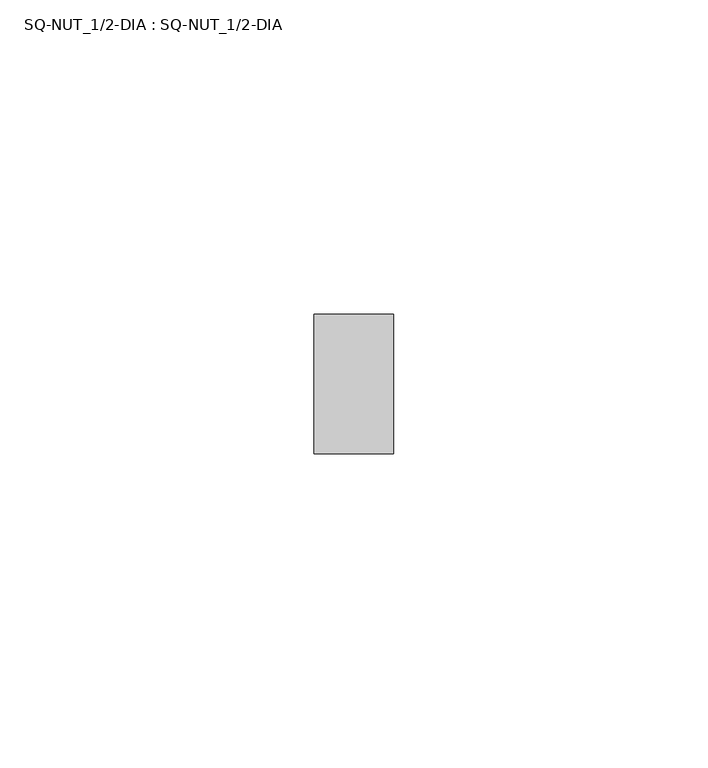
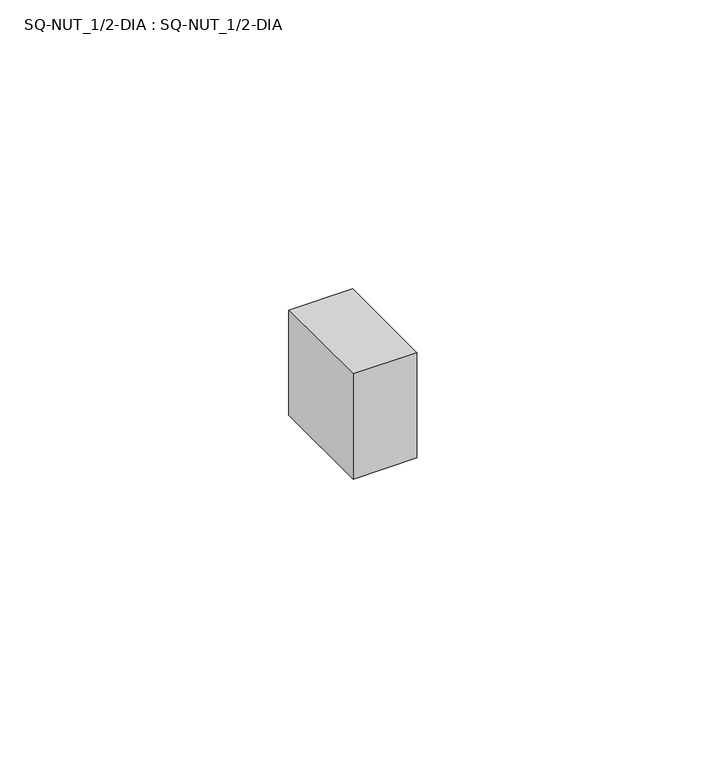
"""IFC4 building model written with IfcOpenShell, lengths in millimetres: beam geometry, SQ-NUT_1/2-DIA : SQ-NUT_1/2-DIA."""

from ifc_helpers import new_model, si_unit, frame, origin, place, context, project, spatial, polyline, outline, extrude, source, transform, mapped, element, save


def sq_nut_1_2_dia_sq_nut_1_2_dia_7f511888(model_context):
    return source(origin(), model_context, "Body", "SweptSolid", [
        extrude(outline(polyline([(12.7, 11.1125), (12.7, -11.1125), (0.0, -11.1125), (0.0, 11.1125), (12.7, 11.1125)])), frame((0.0, 0.0, -11.1125), z_axis=(0.0, 0.0, 1.0), x_axis=(1.0, 0.0, 0.0)), (0.0, 0.0, 1.0), 22.225),
    ])


if __name__ == "__main__":
    model = new_model("IFC4")
    model_context = context("Model", 3, world=origin())
    ifc_project = project(units=[si_unit("LENGTHUNIT", "METRE", prefix="MILLI")], contexts=[model_context])
    site = spatial("IfcSite", under=ifc_project)
    building = spatial("IfcBuilding", under=site)
    placement = place(None, origin())
    sq_nut_1_2_dia_sq_nut_1_2_dia_shape = sq_nut_1_2_dia_sq_nut_1_2_dia_7f511888(model_context)
    element("IfcBeam", 1, ObjectType="SQ-NUT_1/2-DIA : SQ-NUT_1/2-DIA", at=placement, inside=building, context=model_context, shape_type="MappedRepresentation", body=[
        mapped(sq_nut_1_2_dia_sq_nut_1_2_dia_shape, transform((0.0, 0.0, 0.0), x_axis=(1.0, 0.0, 0.0), y_axis=(0.0, 1.0, 0.0), z_axis=(0.0, 0.0, 1.0))),
    ])
    save(model, "model.ifc")
